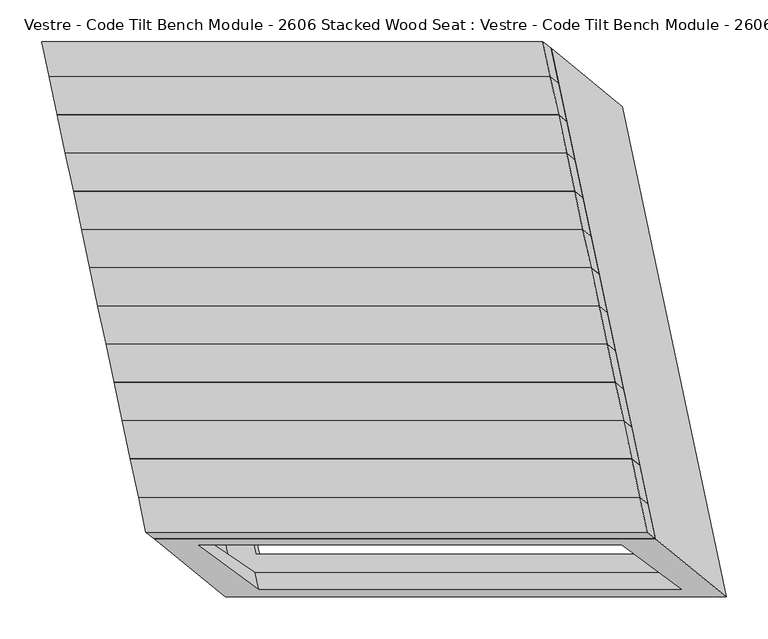
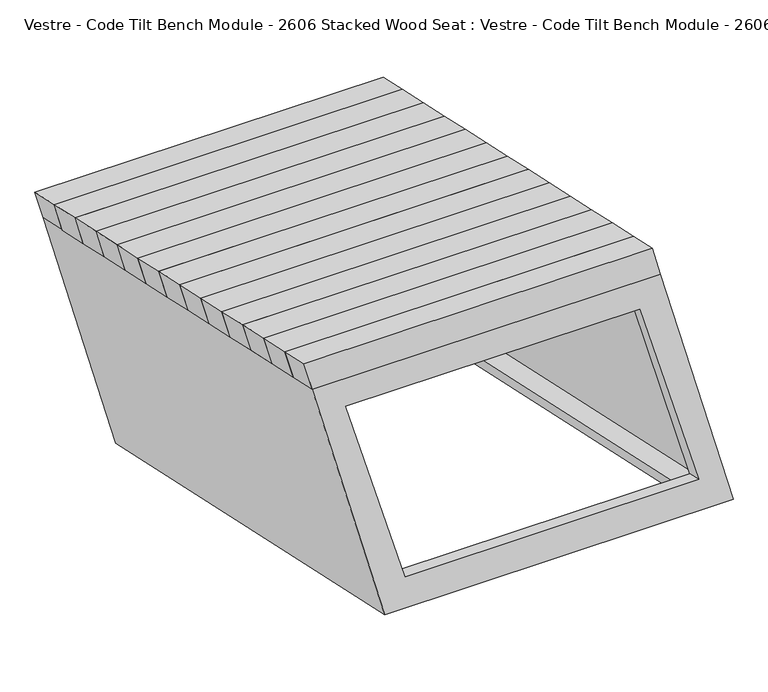
"""IFC4 building model written with IfcOpenShell, lengths in millimetres: furniture geometry, Vestre - Code Tilt Bench Module - 2606 Stacked Wood Seat : Vestre - Code Tilt Bench Module - 2606 Stacked Wood Seat."""

from ifc_helpers import new_model, si_unit, origin, place, context, project, spatial, faceted_brep, source, transform, mapped, element, save


def vestre_code_tilt_bench_module_2606_stacked_wood_seat_vestre_a1c96ff2(model_context):
    return source(origin(), model_context, "Body", "Brep", [
        faceted_brep([(-341.1105248, -104.6578383, 862.9456861), (258.8894752, -104.6578383, 862.9456861), (249.1652085, -58.9087607, 862.9456861), (-350.8347915, -58.9087607, 862.9456861), (-331.4646537, -112.5534159, 817.7590999), (-341.1889203, -66.8043382, 817.7590999), (258.8110797, -66.8043382, 817.7590999), (268.5353463, -112.5534159, 817.7590999)], [[[0, 1, 2, 3]], [[4, 5, 6, 7]], [[4, 7, 1, 0]], [[7, 6, 2, 1]], [[6, 5, 3, 2]], [[5, 4, 0, 3]]]),
        faceted_brep([(-350.8347915, -58.9087607, 862.9456861), (249.1652085, -58.9087607, 862.9456861), (239.4409419, -13.159683, 862.9456861), (-360.5590581, -13.159683, 862.9456861), (-341.1889203, -66.8043382, 817.7590999), (-350.913187, -21.0552605, 817.7590999), (249.086813, -21.0552605, 817.7590999), (258.8110797, -66.8043382, 817.7590999)], [[[0, 1, 2, 3]], [[4, 5, 6, 7]], [[4, 7, 1, 0]], [[7, 6, 2, 1]], [[6, 5, 3, 2]], [[5, 4, 0, 3]]]),
        faceted_brep([(-360.5590581, -13.159683, 862.9456861), (239.4409419, -13.159683, 862.9456861), (229.7166753, 32.5893947, 862.9456861), (-370.2833247, 32.5893947, 862.9456861), (-350.913187, -21.0552605, 817.7590999), (-360.6374536, 24.6938171, 817.7590999), (239.3625464, 24.6938171, 817.7590999), (249.086813, -21.0552605, 817.7590999)], [[[0, 1, 2, 3]], [[4, 5, 6, 7]], [[4, 7, 1, 0]], [[7, 6, 2, 1]], [[6, 5, 3, 2]], [[5, 4, 0, 3]]]),
        faceted_brep([(-370.2833247, 32.5893947, 862.9456861), (229.7166753, 32.5893947, 862.9456861), (219.9924086, 78.3384723, 862.9456861), (-380.0075914, 78.3384723, 862.9456861), (-360.6374536, 24.6938171, 817.7590999), (-370.3617203, 70.4428948, 817.7590999), (229.6382797, 70.4428948, 817.7590999), (239.3625464, 24.6938171, 817.7590999)], [[[0, 1, 2, 3]], [[4, 5, 6, 7]], [[4, 7, 1, 0]], [[7, 6, 2, 1]], [[6, 5, 3, 2]], [[5, 4, 0, 3]]]),
        faceted_brep([(-380.0075914, 78.3384723, 862.9456861), (219.9924086, 78.3384723, 862.9456861), (210.268142, 124.08755, 862.9456861), (-389.731858, 124.08755, 862.9456861), (-370.3617203, 70.4428948, 817.7590999), (-380.0859869, 116.1919724, 817.7590999), (219.9140131, 116.1919724, 817.7590999), (229.6382797, 70.4428948, 817.7590999)], [[[0, 1, 2, 3]], [[4, 5, 6, 7]], [[4, 7, 1, 0]], [[7, 6, 2, 1]], [[6, 5, 3, 2]], [[5, 4, 0, 3]]]),
        faceted_brep([(-389.731858, 124.08755, 862.9456861), (210.268142, 124.08755, 862.9456861), (200.5438753, 169.8366276, 862.9456861), (-399.4561247, 169.8366276, 862.9456861), (-380.0859869, 116.1919724, 817.7590999), (-389.8102536, 161.9410501, 817.7590999), (210.1897464, 161.9410501, 817.7590999), (219.9140131, 116.1919724, 817.7590999)], [[[0, 1, 2, 3]], [[4, 5, 6, 7]], [[4, 7, 1, 0]], [[7, 6, 2, 1]], [[6, 5, 3, 2]], [[5, 4, 0, 3]]]),
        faceted_brep([(-399.4561247, 169.8366276, 862.9456861), (200.5438753, 169.8366276, 862.9456861), (190.8196087, 215.5857053, 862.9456861), (-409.1803913, 215.5857053, 862.9456861), (-389.8102536, 161.9410501, 817.7590999), (-399.5345202, 207.6901278, 817.7590999), (200.4654798, 207.6901278, 817.7590999), (210.1897464, 161.9410501, 817.7590999)], [[[0, 1, 2, 3]], [[4, 5, 6, 7]], [[4, 7, 1, 0]], [[7, 6, 2, 1]], [[6, 5, 3, 2]], [[5, 4, 0, 3]]]),
        faceted_brep([(-409.1803913, 215.5857053, 862.9456861), (190.8196087, 215.5857053, 862.9456861), (181.095342, 261.334783, 862.9456861), (-418.904658, 261.334783, 862.9456861), (-399.5345202, 207.6901278, 817.7590999), (-409.2587869, 253.4392054, 817.7590999), (190.7412131, 253.4392054, 817.7590999), (200.4654798, 207.6901278, 817.7590999)], [[[0, 1, 2, 3]], [[4, 5, 6, 7]], [[4, 7, 1, 0]], [[7, 6, 2, 1]], [[6, 5, 3, 2]], [[5, 4, 0, 3]]]),
        faceted_brep([(-418.904658, 261.334783, 862.9456861), (181.095342, 261.334783, 862.9456861), (171.3710754, 307.0838606, 862.9456861), (-428.6289246, 307.0838606, 862.9456861), (-409.2587869, 253.4392054, 817.7590999), (-418.9830535, 299.1882831, 817.7590999), (181.0169465, 299.1882831, 817.7590999), (190.7412131, 253.4392054, 817.7590999)], [[[0, 1, 2, 3]], [[4, 5, 6, 7]], [[4, 7, 1, 0]], [[7, 6, 2, 1]], [[6, 5, 3, 2]], [[5, 4, 0, 3]]]),
        faceted_brep([(-428.6289246, 307.0838606, 862.9456861), (171.3710754, 307.0838606, 862.9456861), (161.6468087, 352.8329383, 862.9456861), (-438.3531913, 352.8329383, 862.9456861), (-418.9830535, 299.1882831, 817.7590999), (-428.7073201, 344.9373608, 817.7590999), (171.2926799, 344.9373608, 817.7590999), (181.0169465, 299.1882831, 817.7590999)], [[[0, 1, 2, 3]], [[4, 5, 6, 7]], [[4, 7, 1, 0]], [[7, 6, 2, 1]], [[6, 5, 3, 2]], [[5, 4, 0, 3]]]),
        faceted_brep([(-438.3531913, 352.8329383, 862.9456861), (161.6468087, 352.8329383, 862.9456861), (151.9225421, 398.5820159, 862.9456861), (-448.0774579, 398.5820159, 862.9456861), (-428.7073201, 344.9373608, 817.7590999), (-438.4315868, 390.6864384, 817.7590999), (161.5684132, 390.6864384, 817.7590999), (171.2926799, 344.9373608, 817.7590999)], [[[0, 1, 2, 3]], [[4, 5, 6, 7]], [[4, 7, 1, 0]], [[7, 6, 2, 1]], [[6, 5, 3, 2]], [[5, 4, 0, 3]]]),
        faceted_brep([(-332.2201025, -146.4839869, 862.9456861), (267.7798975, -146.4839869, 862.9456861), (258.8894752, -104.6578383, 862.9456861), (-341.1105248, -104.6578383, 862.9456861), (-322.5749946, -154.3759734, 817.7590999), (-331.4646537, -112.5534159, 817.7590999), (268.5353463, -112.5534159, 817.7590999), (277.4250054, -154.3759734, 817.7590999)], [[[0, 1, 2, 3]], [[4, 5, 6, 7]], [[4, 7, 1, 0]], [[7, 6, 2, 1]], [[6, 5, 3, 2]], [[5, 4, 0, 3]]]),
        faceted_brep([(152.6779909, 432.512587, 817.7590999), (-447.3220091, 432.512587, 817.7590999), (-322.5749946, -154.3759734, 817.7590999), (277.4250054, -154.3759734, 817.7590999), (-384.6614061, 381.7550373, 817.7590999), (111.5950883, 381.7550373, 817.7590999), (217.200313, -115.0784827, 817.7590999), (-279.0561813, -115.0784827, 817.7590999), (237.6264928, 362.9784336, 419.8134138), (362.3735072, -223.9101268, 419.8134138), (-237.6264928, -223.9101268, 419.8134138), (-362.3735072, 362.9784336, 419.8134138), (196.5435902, 312.2208839, 419.8134138), (-299.7129042, 312.2208839, 419.8134138), (-196.1503245, -175.0027468, 419.8134138), (300.1061699, -175.0027468, 419.8134138), (-269.0294196, -162.2506881, 772.6919126), (237.0291749, -162.2506881, 772.6919126), (308.6447246, -215.1734882, 469.8134138), (-197.4138699, -215.1734882, 469.8134138), (-381.1121334, 378.8497987, 801.1323473), (115.1443609, 378.8497987, 801.1323473), (192.4591078, 315.5642157, 438.9473846), (-303.7973866, 315.5642157, 438.9473846), (-275.5922534, -117.5822061, 801.1323473), (-200.1365927, -172.1214764, 438.9473846), (220.664241, -117.5822061, 801.1323473), (296.1199017, -172.1214764, 438.9473846), (-272.2641384, -147.0325322, 772.6919126), (233.794456, -147.0325322, 772.6919126), (304.4321172, -195.3547287, 469.8134138), (-201.6264773, -195.3547287, 469.8134138), (127.6313712, 402.504945, 801.1323473), (243.4746973, -142.495055, 801.1323473), (-298.365818, -142.495055, 801.1323473), (-414.2091441, 402.504945, 801.1323473), (225.4868228, 342.4122939, 438.9473846), (-343.6743593, 342.4122939, 438.9473846), (-228.3217228, -200.279193, 438.9473846), (340.8394593, -200.279193, 438.9473846)], [[[0, 1, 2, 3], [4, 5, 6, 7]], [[8, 9, 10, 11], [12, 13, 14, 15]], [[1, 0, 8, 11]], [[2, 1, 11, 10]], [[3, 2, 10, 9], [16, 17, 18, 19]], [[0, 3, 9, 8]], [[5, 4, 20, 21]], [[13, 12, 22, 23]], [[4, 7, 24, 20]], [[14, 13, 23, 25]], [[7, 6, 26, 24]], [[15, 14, 25, 27]], [[6, 5, 21, 26]], [[12, 15, 27, 22]], [[17, 16, 28, 29]], [[19, 18, 30, 31]], [[16, 19, 31, 28]], [[18, 17, 29, 30]], [[32, 33, 34, 35], [21, 20, 24, 26]], [[36, 37, 38, 39], [23, 22, 27, 25]], [[32, 35, 37, 36]], [[35, 34, 38, 37]], [[34, 33, 39, 38], [29, 28, 31, 30]], [[33, 32, 36, 39]]]),
        faceted_brep([(-448.0774579, 398.5820159, 862.9456861), (151.9225421, 398.5820159, 862.9456861), (143.0321197, 440.4081645, 862.9456861), (-456.9678803, 440.4081645, 862.9456861), (-438.4315868, 390.6864384, 817.7590999), (-447.3220091, 432.512587, 817.7590999), (152.6779909, 432.512587, 817.7590999), (161.5684132, 390.6864384, 817.7590999)], [[[0, 1, 2, 3]], [[4, 5, 6, 7]], [[4, 7, 1, 0]], [[7, 6, 2, 1]], [[6, 5, 3, 2]], [[5, 4, 0, 3]]]),
    ])


if __name__ == "__main__":
    model = new_model("IFC4")
    model_context = context("Model", 3, world=origin())
    ifc_project = project(units=[si_unit("LENGTHUNIT", "METRE", prefix="MILLI")], contexts=[model_context])
    site = spatial("IfcSite", under=ifc_project)
    building = spatial("IfcBuilding", under=site)
    placement = place(None, origin())
    vestre_code_tilt_bench_module_2606_stacked_wood_seat_vestre_shape = vestre_code_tilt_bench_module_2606_stacked_wood_seat_vestre_a1c96ff2(model_context)
    element("IfcFurniture", 1, ObjectType="Vestre - Code Tilt Bench Module - 2606 Stacked Wood Seat : Vestre - Code Tilt Bench Module - 2606 Stacked Wood Seat", at=placement, inside=building, context=model_context, shape_type="MappedRepresentation", body=[
        mapped(vestre_code_tilt_bench_module_2606_stacked_wood_seat_vestre_shape, transform((0.0, 0.0, 0.0), x_axis=(1.0, 0.0, 0.0), y_axis=(0.0, 1.0, 0.0), z_axis=(0.0, 0.0, 1.0))),
    ])
    save(model, "model.ifc")
